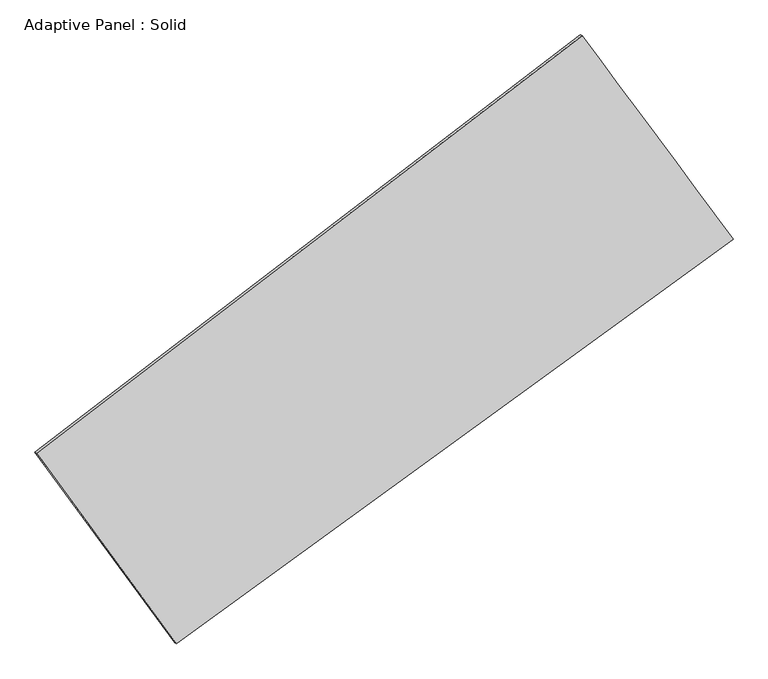
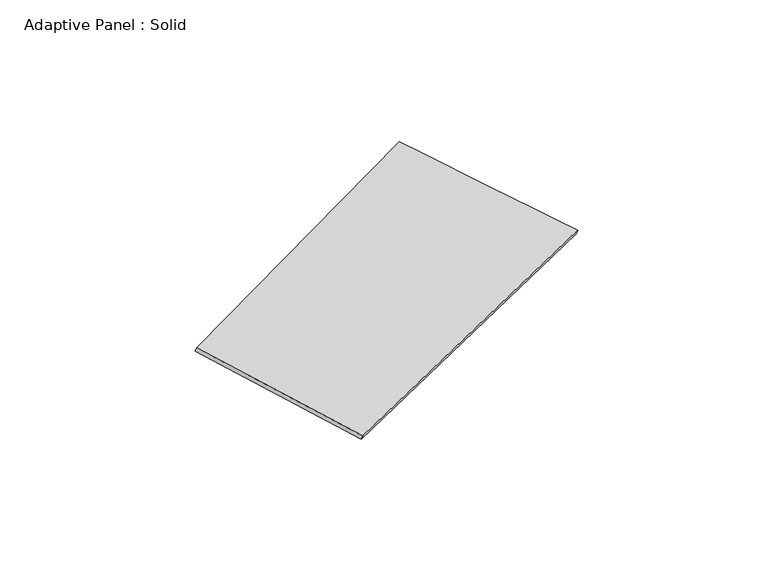
"""IFC4 building model written with IfcOpenShell, lengths in millimetres: plate geometry, Adaptive Panel : Solid."""

from ifc_helpers import new_model, si_unit, frame, origin, place, context, project, spatial, source, transform, mapped, element, save
from ifc_brep_helpers import plane_surface, spline_surface, advanced_brep


def adaptive_panel_solid_e4a06c10(model_context):
    return source(origin(), model_context, "Body", "AdvancedBrep", [
        advanced_brep(
        [(1040.0211718, 2495.0161542, 680.897363), (-3568.7077637, -1031.3388322, 1666.6545271), (-3554.0414079, -1037.7189257, 1714.0274351), (1054.6875277, 2488.6360607, 728.2702711), (-2389.1529472, -2641.0469935, 1049.8099073), (-2374.4865914, -2647.4270869, 1097.1828153), (2314.548961, 777.1210987, 87.7607228), (2329.2153168, 770.7410052, 135.1336308)],
        [
            (0, 1),
            (1, 2),
            (2, 3),
            (3, 0),
            (1, 4),
            (4, 5),
            (5, 2),
            (4, 6),
            (6, 7),
            (7, 5),
            (6, 0),
            (3, 7),
        ],
        [
            plane_surface(frame((-1264.3432959, 731.838661, 1173.7759451), z_axis=(-0.5462506166557741, 0.7909688821821332, 0.27564196201364854), x_axis=(-0.782972661777246, -0.5990891607491314, 0.16746936550413002))),
            plane_surface(frame((-2978.9303555, -1836.1929129, 1358.2322172), z_axis=(-0.7679321561345236, -0.621739842493145, 0.15401224571825844), x_axis=(0.5647095895720174, -0.770644672368893, -0.29531317003284024))),
            plane_surface(frame((-37.3019931, -931.9629474, 568.785315), z_axis=(0.5286872912440745, -0.8040664913330113, -0.27196842756545114), x_axis=(0.7981067695827769, 0.5799821389940121, -0.16323695290612036))),
            plane_surface(frame((1677.2850664, 1636.0686264, 384.3290429), z_axis=(0.7674142868841686, 0.6224419549745942, -0.1537573574612559), x_axis=(-0.57417012826974, 0.7739054674428142, 0.2672058967628327))),
            spline_surface(1, 1, [[(-3554.0414079, -1037.7189257, 1714.0274351), (1054.6875277, 2488.6360607, 728.2702711)], [(-2374.4865914, -2647.4270869, 1097.1828153), (2329.2153168, 770.7410052, 135.1336308)]], [2, 2], [2, 2], [0.0, 1.0], [0.0, 1.0]),
            spline_surface(1, 1, [[(2314.548961, 777.1210987, 87.7607228), (1040.0211718, 2495.0161542, 680.897363)], [(-2389.1529472, -2641.0469935, 1049.8099073), (-3568.7077637, -1031.3388322, 1666.6545271)]], [2, 2], [2, 2], [0.0, 1.0], [0.0, 1.0]),
        ],
        [
            (0, [[1, 2, 3, 4]]),
            (1, [[5, 6, 7, -2]]),
            (2, [[8, 9, 10, -6]]),
            (3, [[11, -4, 12, -9]]),
            (4, [[-3, -7, -10, -12]]),
            (5, [[-11, -8, -5, -1]]),
        ],
    ),
    ])


if __name__ == "__main__":
    model = new_model("IFC4")
    model_context = context("Model", 3, world=origin())
    ifc_project = project(units=[si_unit("LENGTHUNIT", "METRE", prefix="MILLI")], contexts=[model_context])
    site = spatial("IfcSite", under=ifc_project)
    building = spatial("IfcBuilding", under=site)
    placement = place(None, origin())
    adaptive_panel_solid_shape = adaptive_panel_solid_e4a06c10(model_context)
    element("IfcPlate", 1, ObjectType="Adaptive Panel : Solid", at=placement, inside=building, context=model_context, shape_type="MappedRepresentation", body=[
        mapped(adaptive_panel_solid_shape, transform((0.0, 0.0, 0.0), x_axis=(1.0, 0.0, 0.0), y_axis=(0.0, 1.0, 0.0), z_axis=(0.0, 0.0, 1.0))),
    ])
    save(model, "model.ifc")
